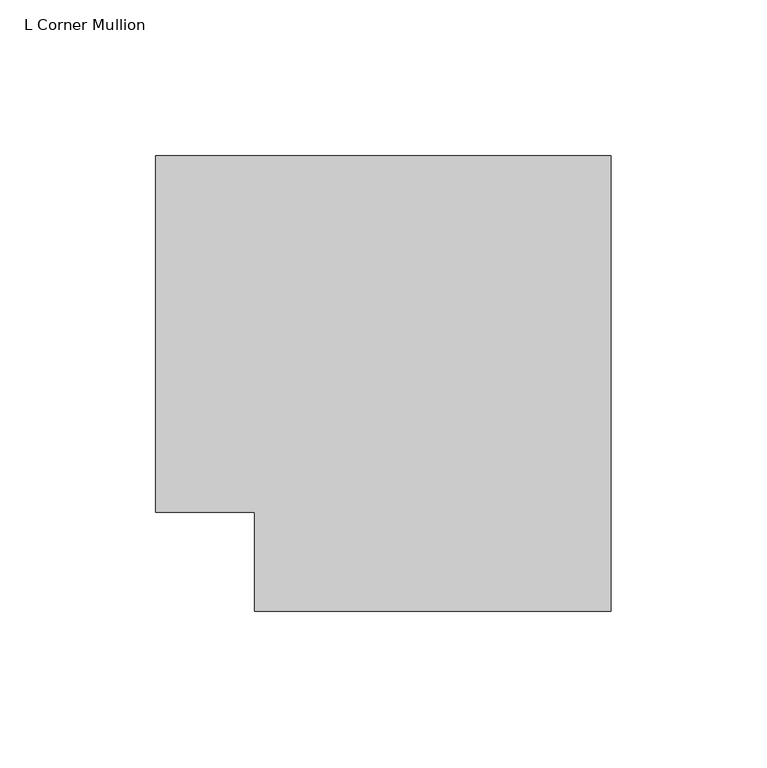
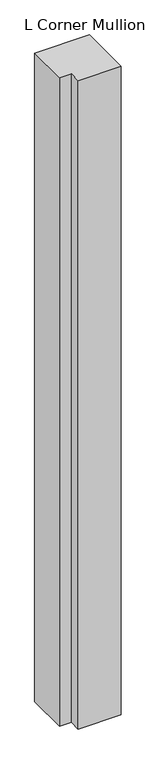
"""IFC4 building model written with IfcOpenShell, lengths in millimetres: member geometry, L Corner Mullion."""

from ifc_helpers import new_model, si_unit, frame, origin, place, context, project, spatial, polyline, outline, extrude, source, transform, mapped, element, save


def l_corner_mullion_a6ab9942(model_context):
    return source(origin(), model_context, "Body", "SweptSolid", [
        extrude(outline(polyline([(-57.15, -88.9), (-57.15, -57.15), (-88.9, -57.15), (-88.9, 57.15), (57.15, 57.15), (57.15, -88.9), (-57.15, -88.9)])), frame((0.0, 0.0, -1828.8), z_axis=(0.0, 0.0, 1.0), x_axis=(1.0, 0.0, 0.0)), (0.0, 0.0, 1.0), 1828.8),
    ])


if __name__ == "__main__":
    model = new_model("IFC4")
    model_context = context("Model", 3, world=origin())
    ifc_project = project(units=[si_unit("LENGTHUNIT", "METRE", prefix="MILLI")], contexts=[model_context])
    site = spatial("IfcSite", under=ifc_project)
    building = spatial("IfcBuilding", under=site)
    placement = place(None, origin())
    l_corner_mullion_shape = l_corner_mullion_a6ab9942(model_context)
    element("IfcMember", 1, ObjectType="L Corner Mullion", at=placement, inside=building, context=model_context, shape_type="MappedRepresentation", body=[
        mapped(l_corner_mullion_shape, transform((0.0, 0.0, 0.0), x_axis=(1.0, 0.0, 0.0), y_axis=(0.0, 1.0, 0.0), z_axis=(0.0, 0.0, 1.0))),
    ])
    save(model, "model.ifc")
